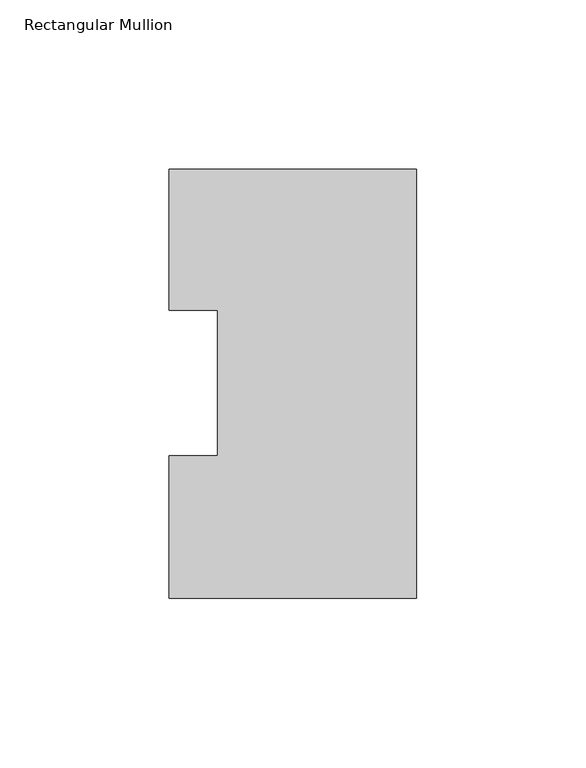
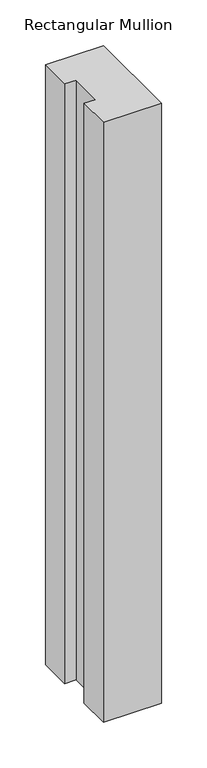
"""IFC4 building model written with IfcOpenShell, lengths in millimetres: member geometry, Rectangular Mullion."""

from ifc_helpers import new_model, si_unit, frame, origin, place, context, project, spatial, polyline, outline, extrude, source, transform, mapped, element, save


def rectangular_mullion_885df565(model_context):
    return source(origin(), model_context, "Body", "SweptSolid", [
        extrude(outline(polyline([(0.0, 126.7348875), (0.0, 0.2428875), (-73.025, 0.2428875), (-73.025, 42.2798875), (-58.7375, 42.2798875), (-58.7375, 85.1296875), (-73.025, 85.1296875), (-73.025, 126.7348875), (0.0, 126.7348875)])), frame((0.0, 0.0, -800.1), z_axis=(0.0, 0.0, 1.0), x_axis=(1.0, 0.0, 0.0)), (0.0, 0.0, 1.0), 800.1),
    ])


if __name__ == "__main__":
    model = new_model("IFC4")
    model_context = context("Model", 3, world=origin())
    ifc_project = project(units=[si_unit("LENGTHUNIT", "METRE", prefix="MILLI")], contexts=[model_context])
    site = spatial("IfcSite", under=ifc_project)
    building = spatial("IfcBuilding", under=site)
    placement = place(None, origin())
    rectangular_mullion_shape = rectangular_mullion_885df565(model_context)
    element("IfcMember", 1, ObjectType="Rectangular Mullion", at=placement, inside=building, context=model_context, shape_type="MappedRepresentation", body=[
        mapped(rectangular_mullion_shape, transform((0.0, 0.0, 0.0), x_axis=(1.0, 0.0, 0.0), y_axis=(0.0, 1.0, 0.0), z_axis=(0.0, 0.0, 1.0))),
    ])
    save(model, "model.ifc")
